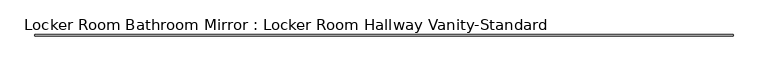
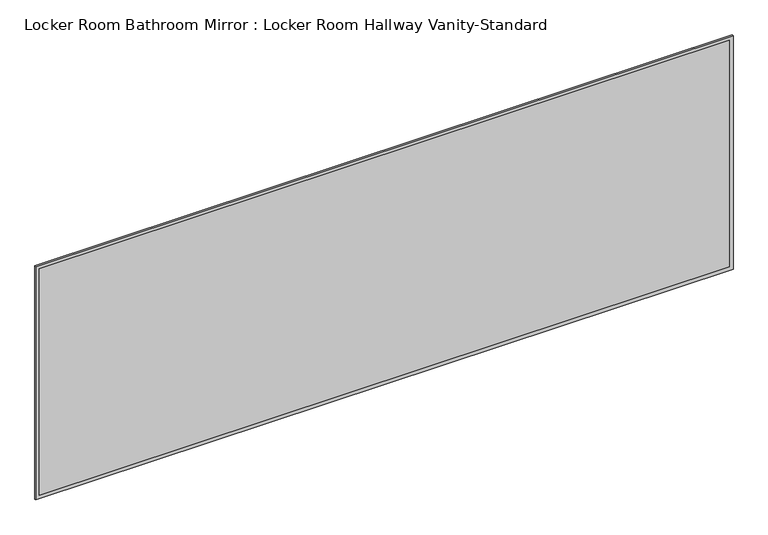
"""IFC4 building model written with IfcOpenShell, lengths in millimetres: proxy geometry, Locker Room Bathroom Mirror : Locker Room Hallway Vanity-Standard."""

from ifc_helpers import new_model, si_unit, frame, origin, place, context, project, spatial, polyline, outline, extrude, source, transform, mapped, element, save


def locker_room_bathroom_mirror_locker_room_hallway_vanity_eea49ddb(model_context):
    return source(origin(), model_context, "Body", "SweptSolid", [
        extrude(outline(polyline([(2416.175, 61.9125), (-2416.175, 61.9125), (-2416.175, 68.2625), (2416.175, 68.2625), (2416.175, 61.9125)])), frame((0.0, 0.0, 1041.4), z_axis=(0.0, 0.0, 1.0), x_axis=(1.0, 0.0, 0.0)), (0.0, 0.0, 1.0), 1676.4),
        extrude(outline(polyline([(2743.2, -2441.575), (1016.0, -2441.575), (1016.0, 2441.575), (2743.2, 2441.575), (2743.2, -2441.575)]), holes=[polyline([(2717.8, -2416.175), (2717.8, 2416.175), (1041.4, 2416.175), (1041.4, -2416.175), (2717.8, -2416.175)])]), frame((0.0, 61.9125, 0.0), z_axis=(0.0, 1.0, 0.0), x_axis=(0.0, 0.0, 1.0)), (0.0, 0.0, 1.0), 9.525),
    ])


if __name__ == "__main__":
    model = new_model("IFC4")
    model_context = context("Model", 3, world=origin())
    ifc_project = project(units=[si_unit("LENGTHUNIT", "METRE", prefix="MILLI")], contexts=[model_context])
    site = spatial("IfcSite", under=ifc_project)
    building = spatial("IfcBuilding", under=site)
    placement = place(None, origin())
    locker_room_bathroom_mirror_locker_room_hallway_vanity_shape = locker_room_bathroom_mirror_locker_room_hallway_vanity_eea49ddb(model_context)
    element("IfcBuildingElementProxy", 1, Name="Locker Room Bathroom Mirror : Locker Room Hallway Vanity-Standard", ObjectType="Locker Room Bathroom Mirror : Locker Room Hallway Vanity-Standard", at=placement, inside=building, context=model_context, shape_type="MappedRepresentation", body=[
        mapped(locker_room_bathroom_mirror_locker_room_hallway_vanity_shape, transform((0.0, 0.0, 0.0), x_axis=(1.0, 0.0, 0.0), y_axis=(0.0, 1.0, 0.0), z_axis=(0.0, 0.0, 1.0))),
    ])
    save(model, "model.ifc")
